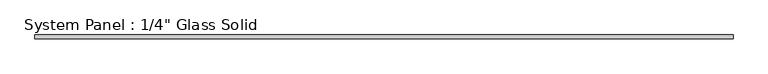
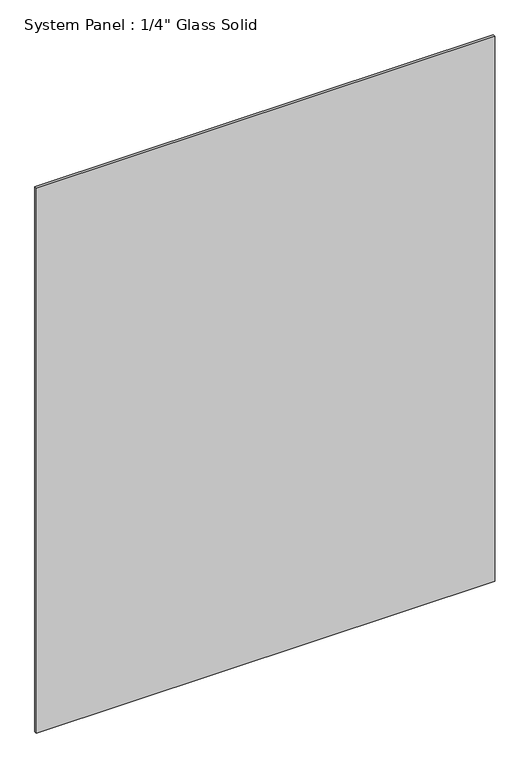
"""IFC4 building model written with IfcOpenShell, lengths in millimetres: plate geometry."""

from ifc_helpers import new_model, si_unit, origin, origin_with_axes, place, context, project, spatial, polyline, outline, extrude, source, transform, mapped, element, save


def plate_4dabab81(model_context):
    return source(origin(), model_context, "Body", "SweptSolid", [
        extrude(outline(polyline([(565.7305865, -3.175), (-565.7305865, -3.175), (-565.7305865, 3.175), (565.7305865, 3.175), (565.7305865, -3.175)])), origin_with_axes(), (0.0, 0.0, 1.0), 1422.2894027),
    ])


if __name__ == "__main__":
    model = new_model("IFC4")
    model_context = context("Model", 3, world=origin())
    ifc_project = project(units=[si_unit("LENGTHUNIT", "METRE", prefix="MILLI")], contexts=[model_context])
    site = spatial("IfcSite", under=ifc_project)
    building = spatial("IfcBuilding", under=site)
    placement = place(None, origin())
    plate_shape = plate_4dabab81(model_context)
    element("IfcPlate", 1, ObjectType="System Panel : 1/4\" Glass Solid", at=placement, inside=building, context=model_context, shape_type="MappedRepresentation", body=[
        mapped(plate_shape, transform((0.0, 0.0, 0.0), x_axis=(1.0, 0.0, 0.0), y_axis=(0.0, 1.0, 0.0), z_axis=(0.0, 0.0, 1.0))),
    ])
    save(model, "model.ifc")
